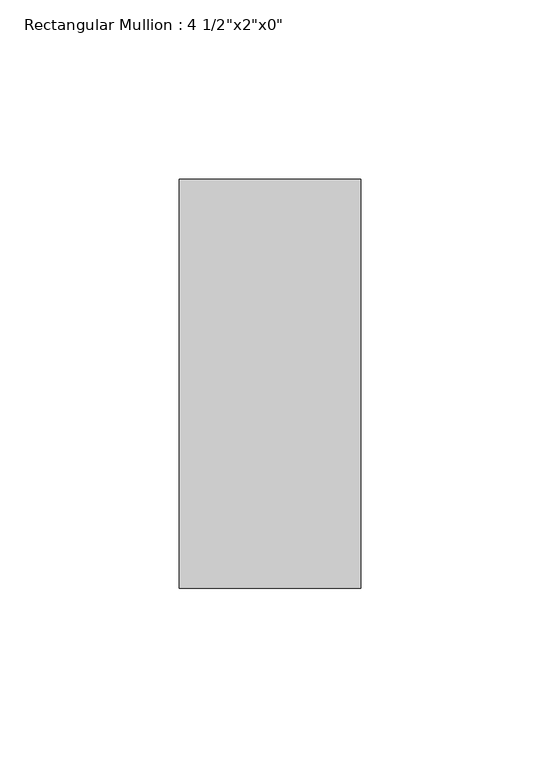
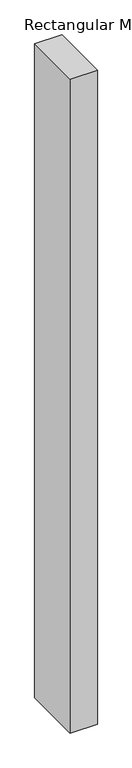
"""IFC4 building model written with IfcOpenShell, lengths in millimetres: member geometry."""

import ifcopenshell
import ifcopenshell.guid

model = None  # the IFC model being written
_history = None  # IfcOwnerHistory: only IFC2X3 demands one
_inside = {}  # id of a spatial element -> (the spatial element, [elements in it])
_under = {}  # id of a project, library or spatial element -> (it, [spatial elements below it])
_declared = {}  # id of a project -> (the project, [libraries it declares])
_typed = {}  # id of a type object -> (the type object, [elements of that type])
_made_of = {}  # id of a material, layer set ... -> (it, [elements and type objects made of it])


def new_model(schema):
    """Start an empty IFC model of exactly this schema.

    Asked for "IFC4X3", IfcOpenShell would pick the latest addendum, in which some entities
    have other attributes; the version numbers below select the first issue.
    IFC2X3 requires an IfcOwnerHistory on every rooted entity: one is made here for all.
    """
    global model, _history
    if schema == "IFC4X3":
        model = ifcopenshell.file(schema_version=(4, 3, 0, 0))
    else:
        model = ifcopenshell.file(schema=schema)
    _inside.clear()
    _under.clear()
    _declared.clear()
    _typed.clear()
    _made_of.clear()
    _history = None
    if model.schema == "IFC2X3":
        org = make("IfcOrganization", Name="unknown")
        user = make(
            "IfcPersonAndOrganization",
            ThePerson=make("IfcPerson", FamilyName="unknown"),
            TheOrganization=org,
        )
        app = make(
            "IfcApplication",
            ApplicationDeveloper=org,
            Version="unknown",
            ApplicationFullName="unknown",
            ApplicationIdentifier="unknown",
        )
        _history = make(
            "IfcOwnerHistory",
            OwningUser=user,
            OwningApplication=app,
            ChangeAction="ADDED",
            CreationDate=0,
        )
    return model


def make(cls, **values):
    """One entity of the class cls with the attributes given. An attribute that is None is left unset."""
    return model.create_entity(
        cls, **{name: value for name, value in values.items() if value is not None}
    )


def rooted(cls, **values):
    """An entity with a GlobalId (a new one), such as an element, a storey or a relation."""
    return make(cls, GlobalId=ifcopenshell.guid.new(), OwnerHistory=_history, **values)


def si_unit(unit_type, name, prefix=None):
    """IfcSIUnit, for example si_unit("LENGTHUNIT", "METRE", prefix="MILLI")."""
    return make("IfcSIUnit", UnitType=unit_type, Prefix=prefix, Name=name)


def assignment(units):
    """IfcUnitAssignment: the units of a project."""
    return None if units is None else make("IfcUnitAssignment", Units=units)


def point(xyz):
    """IfcCartesianPoint."""
    return None if xyz is None else make("IfcCartesianPoint", Coordinates=xyz)


def direction(xyz):
    """IfcDirection."""
    return None if xyz is None else make("IfcDirection", DirectionRatios=xyz)


def frame(location, z_axis=None, x_axis=None):
    """IfcAxis2Placement3D, a coordinate frame: its origin and axes. An axis left out is left unset."""
    return make(
        "IfcAxis2Placement3D",
        Location=point(location),
        Axis=direction(z_axis),
        RefDirection=direction(x_axis),
    )


def origin():
    """The frame at (0, 0, 0) with its axes left unset."""
    return frame((0.0, 0.0, 0.0))


def place(relative_to, where):
    """IfcLocalPlacement: puts the frame where relative to a parent placement (None: the world)."""
    return make(
        "IfcLocalPlacement", PlacementRelTo=relative_to, RelativePlacement=where
    )


def context(
    kind, dimensions, precision=None, world=None, true_north=None, identifier=None
):
    """IfcGeometricRepresentationContext, for example the 3D "Model" context."""
    return make(
        "IfcGeometricRepresentationContext",
        ContextIdentifier=identifier,
        ContextType=kind,
        CoordinateSpaceDimension=dimensions,
        Precision=precision,
        WorldCoordinateSystem=world,
        TrueNorth=true_north,
    )


def project(units=None, contexts=None):
    """IfcProject with its units and contexts."""
    return rooted(
        "IfcProject",
        Name="project",
        RepresentationContexts=contexts,
        UnitsInContext=assignment(units),
    )


def spatial(cls, under=None, at=None, **own):
    """A site, building, storey or space (cls), placed at a placement, below another one or the project."""
    s = rooted(cls, ObjectPlacement=at, **own)
    if under is not None:
        _under.setdefault(under.id(), (under, []))[1].append(s)
    return s


def polyline(points):
    """IfcPolyline through the points."""
    return make("IfcPolyline", Points=[point(p) for p in points])


def outline(outer, holes=None, kind="AREA"):
    """IfcArbitraryClosedProfileDef: a profile drawn as a closed curve; with holes, ...WithVoids."""
    if holes is None:
        return make("IfcArbitraryClosedProfileDef", ProfileType=kind, OuterCurve=outer)
    return make(
        "IfcArbitraryProfileDefWithVoids",
        ProfileType=kind,
        OuterCurve=outer,
        InnerCurves=holes,
    )


def extrude(swept, where, along, depth):
    """IfcExtrudedAreaSolid: the profile swept, set in the frame where, extruded along a direction by depth."""
    return make(
        "IfcExtrudedAreaSolid",
        SweptArea=swept,
        Position=where,
        ExtrudedDirection=direction(along),
        Depth=depth,
    )


def shape(context_of_items, identifier, shape_type, items):
    """IfcShapeRepresentation: the items that make up one representation, for example the "Body"."""
    return make(
        "IfcShapeRepresentation",
        ContextOfItems=context_of_items,
        RepresentationIdentifier=identifier,
        RepresentationType=shape_type,
        Items=items,
    )


def source(mapping_origin, context_of_items, identifier, shape_type, items):
    """IfcRepresentationMap: a shape defined once, which mapped items show again and again."""
    return make(
        "IfcRepresentationMap",
        MappingOrigin=mapping_origin,
        MappedRepresentation=shape(context_of_items, identifier, shape_type, items),
    )


def transform(
    local_origin,
    x_axis=None,
    y_axis=None,
    z_axis=None,
    scale=None,
    scale2=None,
    scale3=None,
    uniform=True,
):
    """IfcCartesianTransformationOperator3D, or its non-uniform kind. x_axis, y_axis, z_axis: its Axis1, 2, 3."""
    if uniform:
        return make(
            "IfcCartesianTransformationOperator3D",
            Axis1=direction(x_axis),
            Axis2=direction(y_axis),
            LocalOrigin=point(local_origin),
            Scale=scale,
            Axis3=direction(z_axis),
        )
    return make(
        "IfcCartesianTransformationOperator3DnonUniform",
        Axis1=direction(x_axis),
        Axis2=direction(y_axis),
        LocalOrigin=point(local_origin),
        Scale=scale,
        Axis3=direction(z_axis),
        Scale2=scale2,
        Scale3=scale3,
    )


def mapped(mapping_source, mapping_target):
    """IfcMappedItem: shows the shape of a source again, moved by a transform."""
    return make(
        "IfcMappedItem", MappingSource=mapping_source, MappingTarget=mapping_target
    )


def made_of(thing, what):
    """Note that an element or type object is made of a material, layer set ...; save() writes the relation."""
    if what is not None:
        _made_of.setdefault(what.id(), (what, []))[1].append(thing)
    return thing


def element(
    cls,
    number,
    at=None,
    inside=None,
    cuts=None,
    type_object=None,
    material=None,
    context=None,
    identifier="Body",
    shape_type=None,
    held_by="IfcProductDefinitionShape",
    body=None,
    shapes=None,
    **own,
):
    """One element of the class cls, such as IfcWall. Its Tag is "e" and its number.

    at: its placement. inside: the storey or other place that contains it. cuts: it is an
    opening in that element (IfcRelVoidsElement). A single representation is given by context,
    identifier, shape_type and body (its items); several are given by shapes. held_by: the class
    of the entity that holds the representations. save() writes the other relations.
    """
    e = rooted(cls, Tag="e%d" % number, ObjectPlacement=at, **own)
    if body is not None:
        shapes = [shape(context, identifier, shape_type, body)]
    if shapes is not None:
        e.Representation = make(held_by, Representations=shapes)
    if inside is not None:
        _inside.setdefault(inside.id(), (inside, []))[1].append(e)
    if cuts is not None:
        rooted(
            "IfcRelVoidsElement", RelatingBuildingElement=cuts, RelatedOpeningElement=e
        )
    if type_object is not None:
        _typed.setdefault(type_object.id(), (type_object, []))[1].append(e)
    return made_of(e, material)


def aggregate(whole, parts):
    """IfcRelAggregates: a whole, such as a stair, and the parts it consists of."""
    return rooted("IfcRelAggregates", RelatingObject=whole, RelatedObjects=parts)


def save(model, path):
    """Write the relations noted so far, then the file.

    IfcRelAggregates (storeys below a building ...), IfcRelContainedInSpatialStructure (elements
    in a storey), IfcRelDefinesByType, IfcRelAssociatesMaterial and IfcRelDeclares: one each for
    every whole, place, type object, material and project.
    """
    for whole, parts in _under.values():
        aggregate(whole, parts)
    for where, things in _inside.values():
        rooted(
            "IfcRelContainedInSpatialStructure",
            RelatedElements=things,
            RelatingStructure=where,
        )
    for kind, things in _typed.values():
        rooted("IfcRelDefinesByType", RelatedObjects=things, RelatingType=kind)
    for what, things in _made_of.values():
        rooted("IfcRelAssociatesMaterial", RelatedObjects=things, RelatingMaterial=what)
    for by, libraries in _declared.values():
        rooted("IfcRelDeclares", RelatingContext=by, RelatedDefinitions=libraries)
    model.write(path)


def member_fb5ff335(model_context):
    return source(origin(), model_context, "Body", "SweptSolid", [
        extrude(outline(polyline([(0.0, 57.15), (0.0, -57.15), (-50.8, -57.15), (-50.8, 57.15), (0.0, 57.15)])), frame((0.0, 0.0, -1289.05), z_axis=(0.0, 0.0, 1.0), x_axis=(1.0, 0.0, 0.0)), (0.0, 0.0, 1.0), 1289.05),
    ])


if __name__ == "__main__":
    model = new_model("IFC4")
    model_context = context("Model", 3, world=origin())
    ifc_project = project(units=[si_unit("LENGTHUNIT", "METRE", prefix="MILLI")], contexts=[model_context])
    site = spatial("IfcSite", under=ifc_project)
    building = spatial("IfcBuilding", under=site)
    placement = place(None, origin())
    member_shape = member_fb5ff335(model_context)
    element("IfcMember", 1, ObjectType="Rectangular Mullion : 4 1/2\"x2\"x0\"", at=placement, inside=building, context=model_context, shape_type="MappedRepresentation", body=[
        mapped(member_shape, transform((0.0, 0.0, 0.0), x_axis=(1.0, 0.0, 0.0), y_axis=(0.0, 1.0, 0.0), z_axis=(0.0, 0.0, 1.0))),
    ])
    save(model, "model.ifc")
